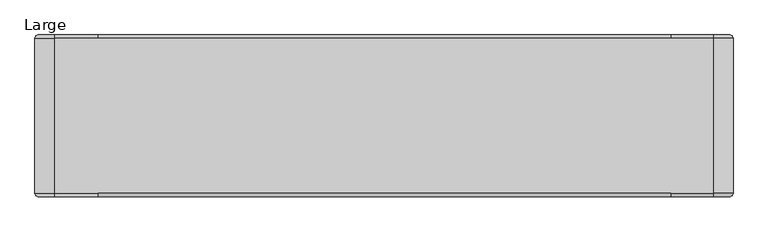
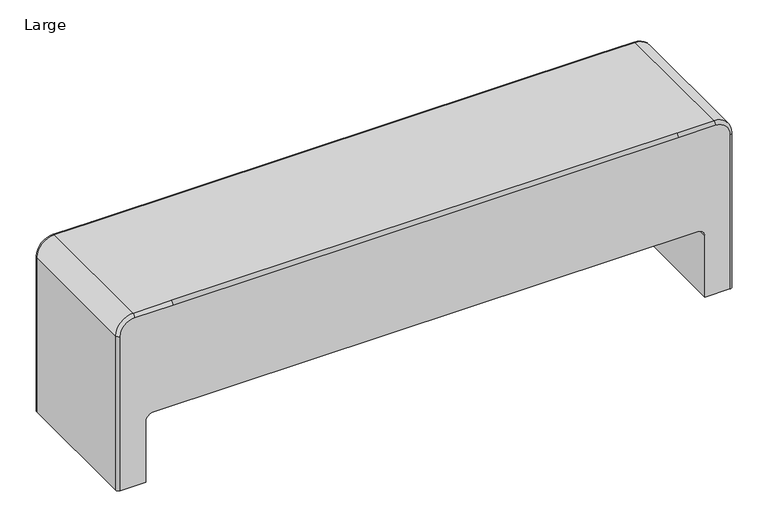
"""IFC4 building model written with IfcOpenShell, lengths in millimetres: furniture geometry, Large."""

from ifc_helpers import new_model, si_unit, point, frame, frame_2d, origin, origin_with_axes, place, context, project, spatial, polyline, circle_curve, ellipse_curve, trimmed, segment, composite_curve, outline, extrude, source, transform, mapped, element, save
from ifc_brep_helpers import plane_surface, cylinder_surface, revolved_surface, advanced_brep


def large_ffba969f(model_context):
    return source(origin(), model_context, "Body", "SolidModel", [
        extrude(outline(composite_curve([segment(trimmed(circle_curve(frame_2d((-619.0274767, 196.051701)), 5.08), [point((-619.0274767, 201.131701))], [point((-613.9474767, 196.051701))], False, "CARTESIAN"), True, "CONTINUOUS"), segment(polyline([(-613.9474767, 196.051701), (-613.9474767, 155.411701)]), True, "CONTINUOUS"), segment(trimmed(circle_curve(frame_2d((-619.0274767, 155.411701)), 5.08), [point((-613.9474767, 155.411701))], [point((-619.0274767, 150.331701))], False, "CARTESIAN"), True, "CONTINUOUS"), segment(polyline([(-619.0274767, 150.331701), (-634.2621476, 150.331701)]), True, "CONTINUOUS"), segment(trimmed(circle_curve(frame_2d((-634.2621476, 155.411701)), 5.08), [point((-634.2621476, 150.331701))], [point((-639.3421476, 155.411701))], False, "CARTESIAN"), True, "CONTINUOUS"), segment(polyline([(-639.3421476, 155.411701), (-639.3421476, 196.051701)]), True, "CONTINUOUS"), segment(trimmed(circle_curve(frame_2d((-634.2621476, 196.051701)), 5.08), [point((-639.3421476, 196.051701))], [point((-634.2621476, 201.131701))], False, "CARTESIAN"), True, "CONTINUOUS"), segment(polyline([(-634.2621476, 201.131701), (-619.0274767, 201.131701)]), True, "CONTINUOUS")], self_intersect=False)), origin_with_axes(), (0.0, 0.0, 1.0), 3.4040124),
        extrude(outline(composite_curve([segment(trimmed(circle_curve(frame_2d((-619.0274767, -81.4021908)), 5.08), [point((-619.0274767, -76.3221908))], [point((-613.9474767, -81.4021908))], False, "CARTESIAN"), True, "CONTINUOUS"), segment(polyline([(-613.9474767, -81.4021908), (-613.9474767, -122.0421908)]), True, "CONTINUOUS"), segment(trimmed(circle_curve(frame_2d((-619.0274767, -122.0421908)), 5.08), [point((-613.9474767, -122.0421908))], [point((-619.0274767, -127.1221908))], False, "CARTESIAN"), True, "CONTINUOUS"), segment(polyline([(-619.0274767, -127.1221908), (-634.2621476, -127.1221908)]), True, "CONTINUOUS"), segment(trimmed(circle_curve(frame_2d((-634.2621476, -122.0421908)), 5.08), [point((-634.2621476, -127.1221908))], [point((-639.3421476, -122.0421908))], False, "CARTESIAN"), True, "CONTINUOUS"), segment(polyline([(-639.3421476, -122.0421908), (-639.3421476, -81.4021908)]), True, "CONTINUOUS"), segment(trimmed(circle_curve(frame_2d((-634.2621476, -81.4021908)), 5.08), [point((-639.3421476, -81.4021908))], [point((-634.2621476, -76.3221908))], False, "CARTESIAN"), True, "CONTINUOUS"), segment(polyline([(-634.2621476, -76.3221908), (-619.0274767, -76.3221908)]), True, "CONTINUOUS")], self_intersect=False)), origin_with_axes(), (0.0, 0.0, 1.0), 3.4040124),
        extrude(outline(composite_curve([segment(trimmed(circle_curve(frame_2d((818.8236579, 196.051701)), 5.08), [point((818.8236579, 201.131701))], [point((823.9036579, 196.051701))], False, "CARTESIAN"), True, "CONTINUOUS"), segment(polyline([(823.9036579, 196.051701), (823.9036579, 155.411701)]), True, "CONTINUOUS"), segment(trimmed(circle_curve(frame_2d((818.8236579, 155.411701)), 5.08), [point((823.9036579, 155.411701))], [point((818.8236579, 150.331701))], False, "CARTESIAN"), True, "CONTINUOUS"), segment(polyline([(818.8236579, 150.331701), (803.5889871, 150.331701)]), True, "CONTINUOUS"), segment(trimmed(circle_curve(frame_2d((803.5889871, 155.411701)), 5.08), [point((803.5889871, 150.331701))], [point((798.5089871, 155.411701))], False, "CARTESIAN"), True, "CONTINUOUS"), segment(polyline([(798.5089871, 155.411701), (798.5089871, 196.051701)]), True, "CONTINUOUS"), segment(trimmed(circle_curve(frame_2d((803.5889871, 196.051701)), 5.08), [point((798.5089871, 196.051701))], [point((803.5889871, 201.131701))], False, "CARTESIAN"), True, "CONTINUOUS"), segment(polyline([(803.5889871, 201.131701), (818.8236579, 201.131701)]), True, "CONTINUOUS")], self_intersect=False)), origin_with_axes(), (0.0, 0.0, 1.0), 3.4040124),
        extrude(outline(composite_curve([segment(trimmed(circle_curve(frame_2d((818.8236579, -81.4021908)), 5.08), [point((818.8236579, -76.3221908))], [point((823.9036579, -81.4021908))], False, "CARTESIAN"), True, "CONTINUOUS"), segment(polyline([(823.9036579, -81.4021908), (823.9036579, -122.0421908)]), True, "CONTINUOUS"), segment(trimmed(circle_curve(frame_2d((818.8236579, -122.0421908)), 5.08), [point((823.9036579, -122.0421908))], [point((818.8236579, -127.1221908))], False, "CARTESIAN"), True, "CONTINUOUS"), segment(polyline([(818.8236579, -127.1221908), (803.5889871, -127.1221908)]), True, "CONTINUOUS"), segment(trimmed(circle_curve(frame_2d((803.5889871, -122.0421908)), 5.08), [point((803.5889871, -127.1221908))], [point((798.5089871, -122.0421908))], False, "CARTESIAN"), True, "CONTINUOUS"), segment(polyline([(798.5089871, -122.0421908), (798.5089871, -81.4021908)]), True, "CONTINUOUS"), segment(trimmed(circle_curve(frame_2d((803.5889871, -81.4021908)), 5.08), [point((798.5089871, -81.4021908))], [point((803.5889871, -76.3221908))], False, "CARTESIAN"), True, "CONTINUOUS"), segment(polyline([(803.5889871, -76.3221908), (818.8236579, -76.3221908)]), True, "CONTINUOUS")], self_intersect=False)), origin_with_axes(), (0.0, 0.0, 1.0), 3.4040124),
        advanced_brep(
        [(-574.5619104, 211.4525251, 180.1955599), (-593.6119104, 211.4525251, 161.1455599), (-593.6119104, 211.4525251, 3.4040124), (-655.9944896, 211.4525251, 3.4040124), (-655.9944896, 211.4525251, 404.0231514), (-620.4343177, 211.4525251, 439.5833234), (-526.2304682, 211.4525251, 439.5833234), (712.8696242, 211.4525251, 439.5833234), (804.202078, 211.4525251, 439.5833234), (839.76225, 211.4525251, 404.0231514), (839.76225, 211.4525251, 3.4040124), (778.1734208, 211.4525251, 3.4040124), (778.1734208, 211.4525251, 161.1455599), (759.1234208, 211.4525251, 180.1955599), (759.1234208, -138.4442299, 180.1955599), (778.1734208, -138.4442299, 161.1455599), (778.1734208, -138.4442299, 3.4040124), (839.76225, -138.4442299, 3.4040124), (839.76225, -138.4442299, 404.0231514), (804.202078, -138.4442299, 439.5833234), (712.8696242, -138.4442299, 439.5833234), (-526.2304682, -138.4442299, 439.5833234), (-620.4343177, -138.4442299, 439.5833234), (-655.9944896, -138.4442299, 404.0231514), (-655.9944896, -138.4442299, 3.4040124), (-593.6119104, -138.4442299, 3.4040124), (-593.6119104, -138.4442299, 161.1455599), (-574.5619104, -138.4442299, 180.1955599), (712.8696242, -130.8242299, 447.2033234), (-526.2304682, -130.8242299, 447.2033234), (804.202078, -130.8242299, 447.2033234), (804.202078, 203.8325251, 447.2033234), (712.8696242, 203.8325251, 447.2033234), (-526.2304682, 203.8325251, 447.2033234), (-620.4343177, 203.8325251, 447.2033234), (-620.4343177, -130.8242299, 447.2033234), (847.38225, -130.8242299, 404.0231514), (847.38225, 203.8325251, 404.0231514), (847.38225, -130.8242299, 3.4040124), (847.38225, 203.8325251, 3.4040124), (-663.6144896, 203.8325251, 404.0231514), (-663.6144896, -130.8242299, 404.0231514), (-663.6144896, -130.8242299, 3.4040124), (-663.6144896, 203.8325251, 3.4040124)],
        [
            (0, 1, circle_curve(frame((-574.5619104, 211.4525251, 161.1455599), z_axis=(0.0, -1.0, 0.0), x_axis=(1.0, 0.0, 0.0)), 19.05)),
            (1, 2),
            (2, 3),
            (3, 4),
            (4, 5, circle_curve(frame((-620.4343177, 211.4525251, 404.0231514), z_axis=(0.0, 1.0, 0.0), x_axis=(0.0, 0.0, 1.0)), 35.560172)),
            (5, 6),
            (6, 7),
            (7, 8),
            (8, 9, circle_curve(frame((804.202078, 211.4525251, 404.0231514), z_axis=(0.0, 1.0, 0.0), x_axis=(0.0, 0.0, 1.0)), 35.560172)),
            (9, 10),
            (10, 11),
            (11, 12),
            (12, 13, circle_curve(frame((759.1234208, 211.4525251, 161.1455599), z_axis=(0.0, -1.0, 0.0), x_axis=(1.0, 0.0, 0.0)), 19.05)),
            (13, 0),
            (14, 15, circle_curve(frame((759.1234208, -138.4442299, 161.1455599), z_axis=(0.0, 1.0, 0.0), x_axis=(1.0, 0.0, 0.0)), 19.05)),
            (15, 16),
            (16, 17),
            (17, 18),
            (18, 19, circle_curve(frame((804.202078, -138.4442299, 404.0231514), z_axis=(0.0, -1.0, 0.0), x_axis=(0.0, 0.0, 1.0)), 35.560172)),
            (19, 20),
            (20, 21),
            (21, 22),
            (22, 23, circle_curve(frame((-620.4343177, -138.4442299, 404.0231514), z_axis=(0.0, -1.0, 0.0), x_axis=(0.0, 0.0, 1.0)), 35.560172)),
            (23, 24),
            (24, 25),
            (25, 26),
            (26, 27, circle_curve(frame((-574.5619104, -138.4442299, 161.1455599), z_axis=(0.0, 1.0, 0.0), x_axis=(1.0, 0.0, 0.0)), 19.05)),
            (27, 14),
            (13, 14),
            (27, 0),
            (20, 28, circle_curve(frame((712.8696242, -130.8242299, 439.5833234), z_axis=(-1.0, 0.0, 0.0), x_axis=(0.0, 0.0, 1.0)), 7.62)),
            (28, 29),
            (29, 21, circle_curve(frame((-526.2304682, -130.8242299, 439.5833234), z_axis=(1.0, 0.0, 0.0), x_axis=(0.0, 0.0, 1.0)), 7.62)),
            (28, 30),
            (30, 31),
            (31, 32),
            (32, 33),
            (33, 34),
            (34, 35),
            (35, 29),
            (32, 7, circle_curve(frame((712.8696242, 203.8325251, 439.5833234), z_axis=(-1.0, 0.0, 0.0), x_axis=(0.0, 0.0, 1.0)), 7.62)),
            (6, 33, circle_curve(frame((-526.2304682, 203.8325251, 439.5833234), z_axis=(1.0, 0.0, 0.0), x_axis=(0.0, 0.0, 1.0)), 7.62)),
            (26, 1),
            (25, 2),
            (11, 16),
            (15, 12),
            (19, 30, circle_curve(frame((804.202078, -130.8242299, 439.5833234), z_axis=(-1.0, 0.0, 0.0), x_axis=(0.0, 0.0, -1.0)), 7.62)),
            (31, 8, circle_curve(frame((804.202078, 203.8325251, 439.5833234), z_axis=(-1.0, 0.0, 0.0), x_axis=(0.0, 0.0, -1.0)), 7.62)),
            (18, 36, circle_curve(frame((839.76225, -130.8242299, 404.0231514), z_axis=(0.0, 0.0, 1.0), x_axis=(-1.0, 0.0, 0.0)), 7.62)),
            (36, 30, circle_curve(frame((804.202078, -130.8242299, 404.0231514), z_axis=(0.0, -1.0, 0.0), x_axis=(0.0, 0.0, 1.0)), 43.180172)),
            (36, 37),
            (37, 31, circle_curve(frame((804.202078, 203.8325251, 404.0231514), z_axis=(0.0, -1.0, 0.0), x_axis=(0.0, 0.0, 1.0)), 43.180172)),
            (37, 9, circle_curve(frame((839.76225, 203.8325251, 404.0231514), z_axis=(0.0, 0.0, 1.0), x_axis=(-1.0, 0.0, 0.0)), 7.62)),
            (17, 38, circle_curve(frame((839.76225, -130.8242299, 3.4040124), z_axis=(0.0, 0.0, 1.0), x_axis=(-1.0, 0.0, 0.0)), 7.62)),
            (38, 36),
            (38, 39),
            (39, 37),
            (39, 10, circle_curve(frame((839.76225, 203.8325251, 3.4040124), z_axis=(0.0, 0.0, 1.0), x_axis=(-1.0, 0.0, 0.0)), 7.62)),
            (5, 34, circle_curve(frame((-620.4343177, 203.8325251, 439.5833234), z_axis=(1.0, 0.0, 0.0), x_axis=(0.0, 0.0, 1.0)), 7.62)),
            (35, 22, circle_curve(frame((-620.4343177, -130.8242299, 439.5833234), z_axis=(1.0, 0.0, 0.0), x_axis=(0.0, 0.0, 1.0)), 7.62)),
            (4, 40, circle_curve(frame((-655.9944896, 203.8325251, 404.0231514), z_axis=(0.0, 0.0, 1.0), x_axis=(-1.0, 0.0, 0.0)), 7.62)),
            (40, 34, circle_curve(frame((-620.4343177, 203.8325251, 404.0231514), z_axis=(0.0, 1.0, 0.0), x_axis=(0.0, 0.0, 1.0)), 43.180172)),
            (40, 41),
            (41, 35, circle_curve(frame((-620.4343177, -130.8242299, 404.0231514), z_axis=(0.0, 1.0, 0.0), x_axis=(0.0, 0.0, 1.0)), 43.180172)),
            (41, 23, circle_curve(frame((-655.9944896, -130.8242299, 404.0231514), z_axis=(0.0, 0.0, 1.0), x_axis=(-1.0, 0.0, 0.0)), 7.62)),
            (24, 42, circle_curve(frame((-655.9944896, -130.8242299, 3.4040124), z_axis=(0.0, 0.0, -1.0), x_axis=(-1.0, 0.0, 0.0)), 7.62)),
            (42, 43),
            (43, 3, circle_curve(frame((-655.9944896, 203.8325251, 3.4040124), z_axis=(0.0, 0.0, -1.0), x_axis=(-1.0, 0.0, 0.0)), 7.62)),
            (43, 40),
            (42, 41),
        ],
        [
            plane_surface(frame((712.8696242, 211.4525251, 437.6781514), z_axis=(0.0, 1.0, 0.0), x_axis=(0.0, 0.0, -1.0))),
            plane_surface(frame((712.8696242, -138.4442299, 437.6781514), z_axis=(0.0, -1.0, 0.0), x_axis=(0.0, 0.0, 1.0))),
            plane_surface(frame((712.8696242, 211.4525251, 180.1955599), z_axis=(0.0, 0.0, -1.0), x_axis=(0.0, -1.0, 0.0))),
            cylinder_surface(frame((712.8696242, -130.8242299, 439.5833234), z_axis=(-1.0, 0.0, 0.0), x_axis=(0.0, 0.0, 1.0)), 7.62),
            plane_surface(frame((-526.2304682, -130.8242299, 447.2033234), z_axis=(0.0, 0.0, 1.0), x_axis=(1.0, 0.0, 0.0))),
            cylinder_surface(frame((712.8696242, 203.8325251, 439.5833234), z_axis=(-1.0, 0.0, 0.0), x_axis=(0.0, 0.0, 1.0)), 7.62),
            revolved_surface(polyline([(-555.5119104, -138.4442299, 161.1455599), (-555.5119104, 211.45252509999997, 161.1455599)]), (-574.5619104, -138.4442299, 161.1455599), (0.0, -1.0, 0.0)),
            plane_surface(frame((-593.6119104, 211.4525251, 161.1455599), z_axis=(1.0, 0.0, 0.0), x_axis=(0.0, -1.0, 0.0))),
            plane_surface(frame((778.1734208, 211.4525251, 3.4040124), z_axis=(-1.0, 0.0, 0.0), x_axis=(0.0, -1.0, 0.0))),
            revolved_surface(polyline([(778.1734207999999, -138.44422989999998, 161.1455599), (778.1734207999999, 211.4525251, 161.1455599)]), (759.1234208, 216.2403236, 161.1455599), (0.0, -1.0, 0.0)),
            cylinder_surface(frame((712.8696242, -130.8242299, 439.5833234), z_axis=(-1.0, 0.0, 0.0), x_axis=(0.0, 0.0, -1.0)), 7.62),
            cylinder_surface(frame((712.8696242, 203.8325251, 439.5833234), z_axis=(-1.0, 0.0, 0.0), x_axis=(0.0, 0.0, -1.0)), 7.62),
            revolved_surface(trimmed(ellipse_curve(frame((804.202078, -130.8242299, 439.5833234), z_axis=(-1.0, 0.0, 0.0), x_axis=(0.0, 0.0, -1.0)), 7.62, 7.62), [point((804.202078, -138.4442299, 439.5833234))], [point((804.202078, -130.8242299, 447.2033234))], True, "CARTESIAN"), (804.202078, 228.8781826, 404.0231514), (0.0, 1.0, 0.0)),
            cylinder_surface(frame((804.202078, 228.8781826, 404.0231514), z_axis=(0.0, 1.0, 0.0), x_axis=(0.0, 0.0, 1.0)), 43.180172),
            revolved_surface(trimmed(ellipse_curve(frame((804.202078, 203.8325251, 439.5833234), z_axis=(-1.0, 0.0, 0.0), x_axis=(0.0, 0.0, -1.0)), 7.62, 7.62), [point((804.202078, 203.8325251, 447.2033234))], [point((804.202078, 211.4525251, 439.5833234))], True, "CARTESIAN"), (804.202078, 228.8781826, 404.0231514), (0.0, 1.0, 0.0)),
            cylinder_surface(frame((839.76225, -130.8242299, 404.0231514), z_axis=(0.0, 0.0, 1.0), x_axis=(-1.0, 0.0, 0.0)), 7.62),
            plane_surface(frame((847.38225, -130.8242299, 404.0231514), z_axis=(1.0, 0.0, 0.0), x_axis=(0.0, 0.0, -1.0))),
            cylinder_surface(frame((839.76225, 203.8325251, 404.0231514), z_axis=(0.0, 0.0, 1.0), x_axis=(-1.0, 0.0, 0.0)), 7.62),
            plane_surface(frame((834.682078, 228.8781826, 3.4040124), z_axis=(0.0, 0.0, -1.0), x_axis=(0.0, 1.0, 0.0))),
            cylinder_surface(frame((-526.2304682, 203.8325251, 439.5833234), z_axis=(1.0, 0.0, 0.0), x_axis=(0.0, 0.0, 1.0)), 7.62),
            cylinder_surface(frame((-526.2304682, -130.8242299, 439.5833234), z_axis=(1.0, 0.0, 0.0), x_axis=(0.0, 0.0, 1.0)), 7.62),
            revolved_surface(trimmed(ellipse_curve(frame((-620.4343177, 203.8325251, 439.5833234), z_axis=(1.0, 0.0, 0.0), x_axis=(0.0, 0.0, 1.0)), 7.62, 7.62), [point((-620.4343177, 211.4525251, 439.5833234))], [point((-620.4343177, 203.8325251, 447.2033234))], True, "CARTESIAN"), (-620.4343177, 228.8781826, 404.0231514), (0.0, -1.0, 0.0)),
            cylinder_surface(frame((-620.4343177, 228.8781826, 404.0231514), z_axis=(0.0, -1.0, 0.0), x_axis=(0.0, 0.0, 1.0)), 43.180172),
            revolved_surface(trimmed(ellipse_curve(frame((-620.4343177, -130.8242299, 439.5833234), z_axis=(1.0, 0.0, 0.0), x_axis=(0.0, 0.0, 1.0)), 7.62, 7.62), [point((-620.4343177, -130.8242299, 447.2033234))], [point((-620.4343177, -138.4442299, 439.5833234))], True, "CARTESIAN"), (-620.4343177, 228.8781826, 404.0231514), (0.0, -1.0, 0.0)),
            plane_surface(frame((-650.9143177, 228.8781826, 3.4040124), z_axis=(0.0, 0.0, -1.0), x_axis=(0.0, 1.0, 0.0))),
            cylinder_surface(frame((-655.9944896, 203.8325251, 404.0231514), z_axis=(0.0, 0.0, 1.0), x_axis=(-1.0, 0.0, 0.0)), 7.62),
            plane_surface(frame((-663.6144896, 203.8325251, 404.0231514), z_axis=(-1.0, 0.0, 0.0), x_axis=(0.0, 0.0, -1.0))),
            cylinder_surface(frame((-655.9944896, -130.8242299, 404.0231514), z_axis=(0.0, 0.0, 1.0), x_axis=(-1.0, 0.0, 0.0)), 7.62),
        ],
        [
            (0, [[1, 2, 3, 4, 5, 6, 7, 8, 9, 10, 11, 12, 13, 14]]),
            (1, [[15, 16, 17, 18, 19, 20, 21, 22, 23, 24, 25, 26, 27, 28]]),
            (2, [[-14, 29, -28, 30]]),
            (3, [[-21, 31, 32, 33]]),
            (4, [[-32, 34, 35, 36, 37, 38, 39, 40]]),
            (5, [[-37, 41, -7, 42]]),
            (6, [[-1, -30, -27, 43]]),
            (7, [[-2, -43, -26, 44]]),
            (8, [[-12, 45, -16, 46]]),
            (9, [[-13, -46, -15, -29]]),
            (10, [[-20, 47, -34, -31]]),
            (11, [[-36, 48, -8, -41]]),
            (12, [[-19, 49, 50, -47]]),
            (13, [[-35, -50, 51, 52]]),
            (14, [[-48, -52, 53, -9]]),
            (15, [[-18, 54, 55, -49]]),
            (16, [[-51, -55, 56, 57]]),
            (17, [[-10, -53, -57, 58]]),
            (18, [[-17, -45, -11, -58, -56, -54]]),
            (19, [[-6, 59, -38, -42]]),
            (20, [[-40, 60, -22, -33]]),
            (21, [[-5, 61, 62, -59]]),
            (22, [[-39, -62, 63, 64]]),
            (23, [[-60, -64, 65, -23]]),
            (24, [[-3, -44, -25, 66, 67, 68]]),
            (25, [[-4, -68, 69, -61]]),
            (26, [[-63, -69, -67, 70]]),
            (27, [[-24, -65, -70, -66]]),
        ],
    ),
    ])


if __name__ == "__main__":
    model = new_model("IFC4")
    model_context = context("Model", 3, world=origin())
    ifc_project = project(units=[si_unit("LENGTHUNIT", "METRE", prefix="MILLI")], contexts=[model_context])
    site = spatial("IfcSite", under=ifc_project)
    building = spatial("IfcBuilding", under=site)
    placement = place(None, origin())
    large_shape = large_ffba969f(model_context)
    element("IfcFurniture", 1, ObjectType="Large", at=placement, inside=building, context=model_context, shape_type="MappedRepresentation", body=[
        mapped(large_shape, transform((0.0, 0.0, 0.0), x_axis=(1.0, 0.0, 0.0), y_axis=(0.0, 1.0, 0.0), z_axis=(0.0, 0.0, 1.0))),
    ])
    save(model, "model.ifc")
